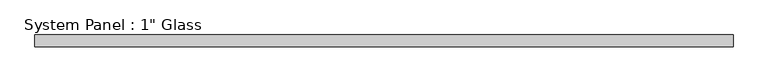
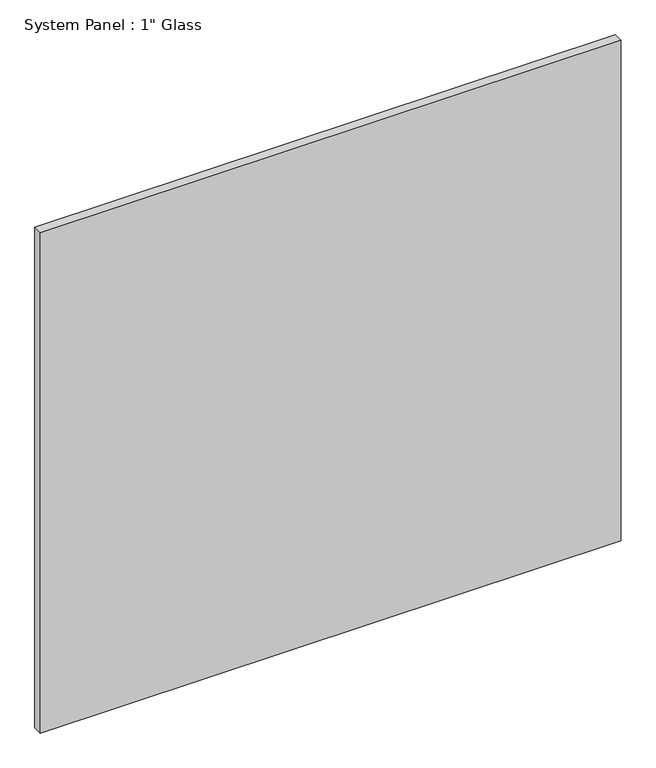
"""IFC4 building model written with IfcOpenShell, lengths in millimetres: plate geometry."""

from ifc_helpers import new_model, si_unit, origin, origin_with_axes, place, context, project, spatial, polyline, outline, extrude, source, transform, mapped, element, save


def plate_4d2b5035(model_context):
    return source(origin(), model_context, "Body", "SweptSolid", [
        extrude(outline(polyline([(762.0, -12.7), (-762.0, -12.7), (-762.0, 12.7), (762.0, 12.7), (762.0, -12.7)])), origin_with_axes(), (0.0, 0.0, 1.0), 1387.475),
    ])


if __name__ == "__main__":
    model = new_model("IFC4")
    model_context = context("Model", 3, world=origin())
    ifc_project = project(units=[si_unit("LENGTHUNIT", "METRE", prefix="MILLI")], contexts=[model_context])
    site = spatial("IfcSite", under=ifc_project)
    building = spatial("IfcBuilding", under=site)
    placement = place(None, origin())
    plate_shape = plate_4d2b5035(model_context)
    element("IfcPlate", 1, ObjectType="System Panel : 1\" Glass", at=placement, inside=building, context=model_context, shape_type="MappedRepresentation", body=[
        mapped(plate_shape, transform((0.0, 0.0, 0.0), x_axis=(1.0, 0.0, 0.0), y_axis=(0.0, 1.0, 0.0), z_axis=(0.0, 0.0, 1.0))),
    ])
    save(model, "model.ifc")
